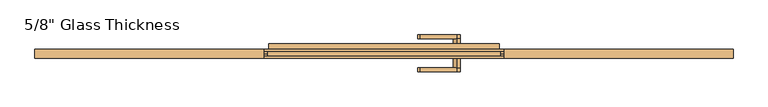
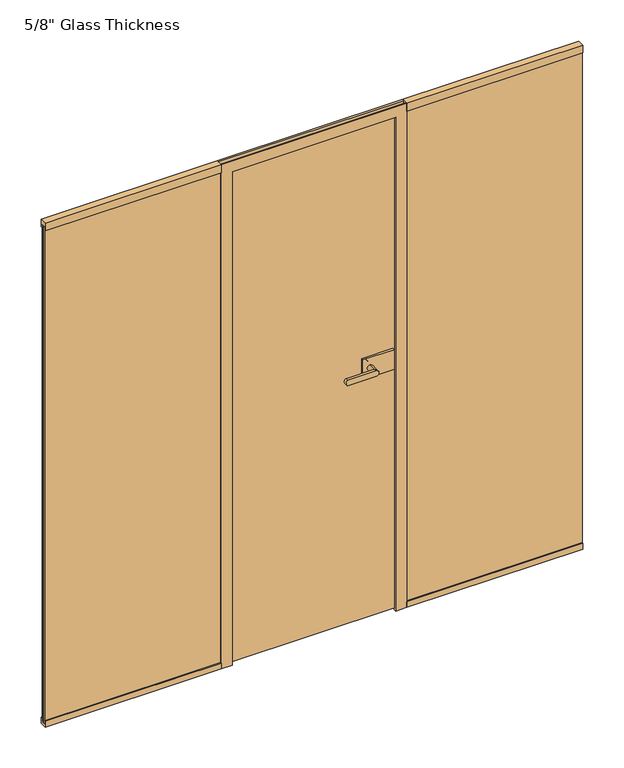
"""IFC4 building model written with IfcOpenShell, lengths in millimetres: door geometry."""

from ifc_helpers import new_model, si_unit, point, frame, frame_2d, origin, place, context, project, spatial, polyline, circle_curve, ellipse_curve, trimmed, segment, composite_curve, outline, extrude, faceted_brep, source, transform, mapped, element, save
from ifc_brep_helpers import plane_surface, cylinder_surface, extruded_surface, advanced_brep


def door_57c78fe0(model_context):
    return source(origin(), model_context, "Body", "SolidModel", [
        extrude(outline(composite_curve([segment(trimmed(circle_curve(frame_2d((1150.0, 242.0)), 11.9886308), [point((1161.9886308, 242.0))], [point((1138.0113692, 242.0))], False, "CARTESIAN"), True, "CONTINUOUS"), segment(trimmed(circle_curve(frame_2d((1150.0, 242.0)), 11.9886308), [point((1138.0113692, 242.0))], [point((1161.9886308, 242.0))], False, "CARTESIAN"), True, "CONTINUOUS")], self_intersect=False)), frame((0.0, -54.56, 0.0), z_axis=(0.0, 1.0, 0.0), x_axis=(0.0, 0.0, 1.0)), (0.0, 0.0, 1.0), 33.5),
        advanced_brep(
        [(242.0, -54.56, 1161.9886308), (242.0, -54.56, 1138.0113692), (120.3382074, -54.56, 1138.0113692), (120.3382074, -54.56, 1161.9886308), (242.0, -67.06, 1161.9886308), (120.3382074, -67.06, 1161.9886308), (120.3382074, -67.06, 1138.0113692), (242.0, -67.06, 1138.0113692)],
        [
            (0, 1, circle_curve(frame((242.0, -54.56, 1150.0), z_axis=(0.0, 1.0, 0.0), x_axis=(0.0, 0.0, -1.0)), 11.9886308)),
            (1, 2),
            (2, 3, ellipse_curve(frame((120.3382074, -54.56, 1150.0), z_axis=(0.0, 1.0, 0.0), x_axis=(0.0, 0.0, 1.0)), 11.9886308, 7.9050795)),
            (3, 0),
            (4, 5),
            (5, 6, ellipse_curve(frame((120.3382074, -67.06, 1150.0), z_axis=(0.0, -1.0, 0.0), x_axis=(0.0, 0.0, 1.0)), 11.9886308, 7.9050795)),
            (6, 7),
            (7, 4, circle_curve(frame((242.0, -67.06, 1150.0), z_axis=(0.0, -1.0, 0.0), x_axis=(0.0, 0.0, -1.0)), 11.9886308)),
            (3, 5),
            (4, 0),
            (2, 6),
            (1, 7),
        ],
        [
            plane_surface(frame((120.3382074, -54.56, 1161.9886308), z_axis=(0.0, 1.0, 0.0), x_axis=(-1.0, 0.0, 0.0))),
            plane_surface(frame((120.3382074, -67.06, 1161.9886308), z_axis=(0.0, -1.0, 0.0), x_axis=(1.0, 0.0, 0.0))),
            plane_surface(frame((242.0, -54.56, 1161.9886308), z_axis=(0.0, 0.0, 1.0), x_axis=(0.0, -1.0, 0.0))),
            extruded_surface(trimmed(ellipse_curve(frame((120.3382074, -67.06, 1150.0), z_axis=(0.0, -1.0, 0.0), x_axis=(0.0, 0.0, 1.0)), 11.9886308, 7.9050795), [point((120.3382074, -67.06, 1161.9886308))], [point((120.3382074, -67.06, 1138.0113692))], True, "CARTESIAN"), (0.0, -12.5, 0.0), 12.5),
            plane_surface(frame((120.3382074, -54.56, 1138.0113692), z_axis=(0.0, 0.0, -1.0), x_axis=(0.0, -1.0, 0.0))),
            cylinder_surface(frame((242.0, -67.06, 1150.0), z_axis=(0.0, 1.0, 0.0), x_axis=(0.0, 0.0, -1.0)), 11.9886308),
        ],
        [
            (0, [[1, 2, 3, 4]]),
            (1, [[5, 6, 7, 8]]),
            (2, [[9, -5, 10, -4]]),
            (3, [[11, -6, -9, -3]]),
            (4, [[12, -7, -11, -2]]),
            (5, [[-10, -8, -12, -1]]),
        ],
    ),
        extrude(outline(polyline([(346.0, -11.06), (346.0, -21.06), (212.0, -21.06), (212.0, -11.06), (346.0, -11.06)])), frame((0.0, 0.0, 1105.0), z_axis=(0.0, 0.0, 1.0), x_axis=(1.0, 0.0, 0.0)), (0.0, 0.0, 1.0), 90.0),
        extrude(outline(polyline([(362.0, 8.94), (362.0, -1.06), (212.0, -1.06), (212.0, 8.94), (362.0, 8.94)])), frame((0.0, 0.0, 1105.0), z_axis=(0.0, 0.0, 1.0), x_axis=(1.0, 0.0, 0.0)), (0.0, 0.0, 1.0), 90.0),
        advanced_brep(
        [(242.0, 8.94, 1161.9886308), (242.0, 8.94, 1138.0113692), (242.0, 42.4398825, 1161.9886308), (242.0, 42.4398825, 1138.0113692), (242.0, 54.9399695, 1161.9886308), (242.0, 54.9399695, 1138.0113692), (120.3382074, 54.9399695, 1138.0113692), (120.3382074, 54.9399695, 1161.9886308), (120.3382074, 42.4398825, 1161.9886308), (120.3382074, 42.4398825, 1138.0113692)],
        [
            (0, 1, circle_curve(frame((242.0, 8.94, 1150.0), z_axis=(0.0, -1.0, 0.0), x_axis=(0.0, 0.0, -1.0)), 11.9886308)),
            (1, 0, circle_curve(frame((242.0, 8.94, 1150.0), z_axis=(0.0, -1.0, 0.0), x_axis=(0.0, 0.0, -1.0)), 11.9886308)),
            (0, 2),
            (2, 3, circle_curve(frame((242.0, 42.4398825, 1150.0), z_axis=(0.0, -1.0, 0.0), x_axis=(0.0, 0.0, -1.0)), 11.9886308)),
            (3, 1),
            (3, 2, circle_curve(frame((242.0, 42.4398825, 1150.0), z_axis=(0.0, -1.0, 0.0), x_axis=(0.0, 0.0, -1.0)), 11.9886308)),
            (4, 5, circle_curve(frame((242.0, 54.9399695, 1150.0), z_axis=(0.0, 1.0, 0.0), x_axis=(0.0, 0.0, -1.0)), 11.9886308)),
            (5, 6),
            (6, 7, ellipse_curve(frame((120.3382074, 54.9399695, 1150.0), z_axis=(0.0, 1.0, 0.0), x_axis=(0.0, 0.0, 1.0)), 11.9886308, 7.9050795)),
            (7, 4),
            (2, 8),
            (8, 9, ellipse_curve(frame((120.3382074, 42.4398825, 1150.0), z_axis=(0.0, -1.0, 0.0), x_axis=(0.0, 0.0, 1.0)), 11.9886308, 7.9050795)),
            (9, 3),
            (7, 8),
            (2, 4),
            (6, 9),
            (5, 3),
        ],
        [
            plane_surface(frame((242.0, 8.94, 1138.0113692), z_axis=(0.0, -1.0, 0.0), x_axis=(-1.0, 0.0, 0.0))),
            cylinder_surface(frame((242.0, 8.94, 1150.0), z_axis=(0.0, 1.0, 0.0), x_axis=(0.0, 0.0, -1.0)), 11.9886308),
            plane_surface(frame((120.3382074, 54.9399695, 1161.9886308), z_axis=(0.0, 1.0, 0.0), x_axis=(-1.0, 0.0, 0.0))),
            plane_surface(frame((120.3382074, 42.4398825, 1161.9886308), z_axis=(0.0, -1.0, 0.0), x_axis=(1.0, 0.0, 0.0))),
            plane_surface(frame((242.0, 54.9399695, 1161.9886308), z_axis=(0.0, 0.0, 1.0), x_axis=(0.0, -1.0, 0.0))),
            extruded_surface(trimmed(ellipse_curve(frame((120.3382074, 42.4398825, 1150.0), z_axis=(0.0, -1.0, 0.0), x_axis=(0.0, 0.0, 1.0)), 11.9886308, 7.9050795), [point((120.3382074, 42.4398825, 1161.9886308))], [point((120.3382074, 42.4398825, 1138.0113692))], True, "CARTESIAN"), (0.0, -12.500087000000004, 0.0), 12.500087000000004),
            plane_surface(frame((120.3382074, 54.9399695, 1138.0113692), z_axis=(0.0, 0.0, -1.0), x_axis=(0.0, -1.0, 0.0))),
            cylinder_surface(frame((242.0, 42.4398825, 1150.0), z_axis=(0.0, 1.0, 0.0), x_axis=(0.0, 0.0, -1.0)), 11.9886308),
        ],
        [
            (0, [[1, 2]]),
            (1, [[3, 4, 5, -1]]),
            (1, [[-5, 6, -3, -2]]),
            (2, [[7, 8, 9, 10]]),
            (3, [[-4, 11, 12, 13]]),
            (4, [[14, -11, 15, -10]]),
            (5, [[16, -12, -14, -9]]),
            (6, [[17, -13, -16, -8]]),
            (7, [[-15, -6, -17, -7]]),
        ],
    ),
        extrude(outline(polyline([(1160.5, 0.0), (1160.5, -8.0), (386.0, -8.0), (386.0, 0.0), (1160.5, 0.0)])), frame((0.0, 0.0, 13.0), z_axis=(0.0, 0.0, 1.0), x_axis=(1.0, 0.0, 0.0)), (0.0, 0.0, 1.0), 2267.0),
        extrude(outline(polyline([(-22.06, 0.0), (-22.06, 26.0), (-12.0, 26.0), (-12.0, 13.0), (0.0, 13.0), (0.0, 26.0), (7.94, 26.0), (7.94, 0.0), (-22.06, 0.0)])), frame((400.0, 0.0, 0.0), z_axis=(1.0, 0.0, 0.0), x_axis=(0.0, 1.0, 0.0)), (0.0, 0.0, 1.0), 760.5),
        extrude(outline(polyline([(-22.06, 2300.0), (7.94, 2300.0), (7.94, 2265.0), (0.0, 2265.0), (0.0, 2280.0), (-12.0, 2280.0), (-12.0, 2265.0), (-22.06, 2265.0), (-22.06, 2300.0)])), frame((400.0, 0.0, 0.0), z_axis=(1.0, 0.0, 0.0), x_axis=(0.0, 1.0, 0.0)), (0.0, 0.0, 1.0), 760.5),
        extrude(outline(polyline([(-1160.5, -16.8), (-1160.5, -8.8), (-386.0, -8.8), (-386.0, -16.8), (-1160.5, -16.8)])), frame((0.0, 0.0, 13.0), z_axis=(0.0, 0.0, 1.0), x_axis=(1.0, 0.0, 0.0)), (0.0, 0.0, 1.0), 2267.0),
        extrude(outline(polyline([(1160.5, -16.8), (386.0, -16.8), (386.0, -8.8), (1160.5, -8.8), (1160.5, -16.8)])), frame((0.0, 0.0, 13.0), z_axis=(0.0, 0.0, 1.0), x_axis=(1.0, 0.0, 0.0)), (0.0, 0.0, 1.0), 2267.0),
        extrude(outline(polyline([(-22.06, 0.0), (-22.06, 26.0), (-12.0, 26.0), (-12.0, 13.0), (0.0, 13.0), (0.0, 26.0), (7.94, 26.0), (7.94, 0.0), (-22.06, 0.0)])), frame((-1160.5, 0.0, 0.0), z_axis=(1.0, 0.0, 0.0), x_axis=(0.0, 1.0, 0.0)), (0.0, 0.0, 1.0), 760.5),
        extrude(outline(polyline([(-22.06, 2300.0), (7.94, 2300.0), (7.94, 2265.0), (0.0, 2265.0), (0.0, 2280.0), (-12.0, 2280.0), (-12.0, 2265.0), (-22.06, 2265.0), (-22.06, 2300.0)])), frame((-1160.5, 0.0, 0.0), z_axis=(1.0, 0.0, 0.0), x_axis=(0.0, 1.0, 0.0)), (0.0, 0.0, 1.0), 760.5),
        extrude(outline(polyline([(-1160.5, 0.0), (-386.0, 0.0), (-386.0, -8.0), (-1160.5, -8.0), (-1160.5, 0.0)])), frame((0.0, 0.0, 13.0), z_axis=(0.0, 0.0, 1.0), x_axis=(1.0, 0.0, 0.0)), (0.0, 0.0, 1.0), 2267.0),
        faceted_brep([(-365.9, -11.06, 0.0), (-353.0, -11.06, 0.0), (-353.0, -22.06, 0.0), (-400.0, -22.06, 0.0), (-400.0, -16.8, 0.0), (-386.0, -16.8, 0.0), (-386.0, 0.0, 0.0), (-400.0, 0.0, 0.0), (-400.0, 7.94, 0.0), (-383.0, 7.94, 0.0), (-383.0, 25.94, 0.0), (-365.9, 25.94, 0.0), (365.9, -11.06, 0.0), (365.9, 25.94, 0.0), (383.0, 25.94, 0.0), (383.0, 7.94, 0.0), (400.0, 7.94, 0.0), (400.0, 0.0, 0.0), (386.0, 0.0, 0.0), (386.0, -16.8, 0.0), (400.0, -16.8, 0.0), (400.0, -22.06, 0.0), (353.0, -22.06, 0.0), (353.0, -11.06, 0.0), (353.0, -22.06, 2253.0), (353.0, -11.06, 2253.0), (400.0, -16.8, 2300.0), (400.0, -22.06, 2300.0), (386.0, 0.0, 2286.0), (386.0, -16.8, 2286.0), (400.0, 7.94, 2300.0), (400.0, 0.0, 2300.0), (383.0, 25.94, 2283.0), (383.0, 7.94, 2283.0), (365.9, -11.06, 2265.9), (365.9, 25.94, 2265.9), (-365.9, -11.06, 2265.9), (-353.0, -11.06, 2253.0), (-353.0, -22.06, 2253.0), (-400.0, -22.06, 2300.0), (-400.0, -16.8, 2300.0), (-386.0, -16.8, 2286.0), (-386.0, 0.0, 2286.0), (-400.0, 0.0, 2300.0), (-400.0, 7.94, 2300.0), (-383.0, 7.94, 2283.0), (-383.0, 25.94, 2283.0), (-365.9, 25.94, 2265.9)], [[[0, 1, 2, 3, 4, 5, 6, 7, 8, 9, 10, 11]], [[12, 13, 14, 15, 16, 17, 18, 19, 20, 21, 22, 23]], [[24, 25, 23, 22]], [[26, 27, 21, 20]], [[28, 29, 19, 18]], [[30, 31, 17, 16]], [[32, 33, 15, 14]], [[34, 35, 13, 12]], [[1, 0, 36, 34, 12, 23, 25, 37]], [[2, 1, 37, 38]], [[3, 2, 38, 24, 22, 21, 27, 39]], [[4, 3, 39, 40]], [[5, 4, 40, 26, 20, 19, 29, 41]], [[6, 5, 41, 42]], [[7, 6, 42, 28, 18, 17, 31, 43]], [[8, 7, 43, 44]], [[9, 8, 44, 30, 16, 15, 33, 45]], [[10, 9, 45, 46]], [[11, 10, 46, 32, 14, 13, 35, 47]], [[0, 11, 47, 36]], [[38, 37, 25, 24]], [[40, 39, 27, 26]], [[42, 41, 29, 28]], [[44, 43, 31, 30]], [[46, 45, 33, 32]], [[36, 47, 35, 34]]]),
        extrude(outline(polyline([(362.0, -1.06), (362.0, -11.06), (-361.0, -11.06), (-361.0, -1.06), (362.0, -1.06)])), frame((0.0, 0.0, 7.0), z_axis=(0.0, 0.0, 1.0), x_axis=(1.0, 0.0, 0.0)), (0.0, 0.0, 1.0), 2255.0),
    ])


if __name__ == "__main__":
    model = new_model("IFC4")
    model_context = context("Model", 3, world=origin())
    ifc_project = project(units=[si_unit("LENGTHUNIT", "METRE", prefix="MILLI")], contexts=[model_context])
    site = spatial("IfcSite", under=ifc_project)
    building = spatial("IfcBuilding", under=site)
    placement = place(None, origin())
    door_shape = door_57c78fe0(model_context)
    element("IfcDoor", 1, ObjectType="5/8\" Glass Thickness", at=placement, inside=building, context=model_context, shape_type="MappedRepresentation", body=[
        mapped(door_shape, transform((0.0, 0.0, 0.0), x_axis=(1.0, 0.0, 0.0), y_axis=(0.0, 1.0, 0.0), z_axis=(0.0, 0.0, 1.0))),
    ])
    save(model, "model.ifc")
